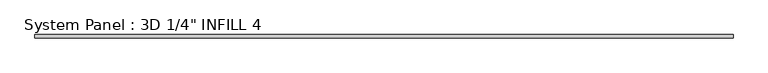
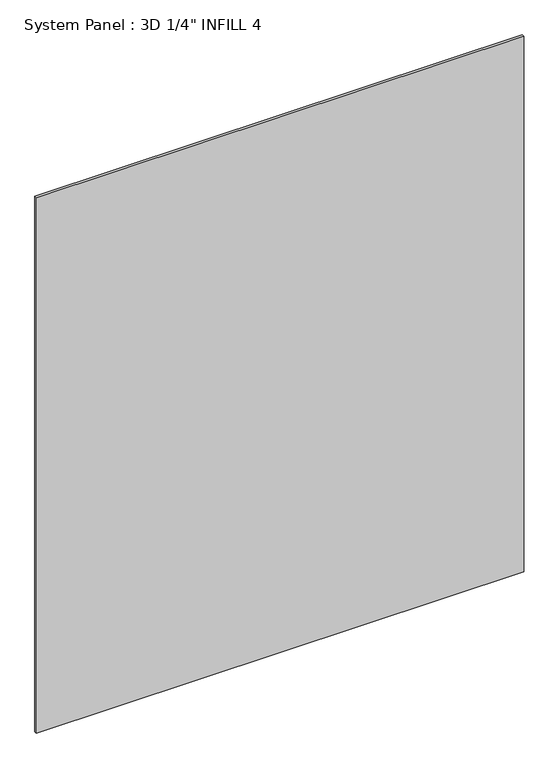
"""IFC4 building model written with IfcOpenShell, lengths in millimetres: plate geometry."""

from ifc_helpers import new_model, si_unit, origin, origin_with_axes, place, context, project, spatial, polyline, outline, extrude, source, transform, mapped, element, save


def plate_422b810a(model_context):
    return source(origin(), model_context, "Body", "SweptSolid", [
        extrude(outline(polyline([(698.5, -1.0914063), (-698.5, -1.0914063), (-698.5, 5.2585937), (698.5, 5.2585937), (698.5, -1.0914063)])), origin_with_axes(), (0.0, 0.0, 1.0), 1621.9377615),
    ])


if __name__ == "__main__":
    model = new_model("IFC4")
    model_context = context("Model", 3, world=origin())
    ifc_project = project(units=[si_unit("LENGTHUNIT", "METRE", prefix="MILLI")], contexts=[model_context])
    site = spatial("IfcSite", under=ifc_project)
    building = spatial("IfcBuilding", under=site)
    placement = place(None, origin())
    plate_shape = plate_422b810a(model_context)
    element("IfcPlate", 1, ObjectType="System Panel : 3D 1/4\" INFILL 4", at=placement, inside=building, context=model_context, shape_type="MappedRepresentation", body=[
        mapped(plate_shape, transform((0.0, 0.0, 0.0), x_axis=(1.0, 0.0, 0.0), y_axis=(0.0, 1.0, 0.0), z_axis=(0.0, 0.0, 1.0))),
    ])
    save(model, "model.ifc")
